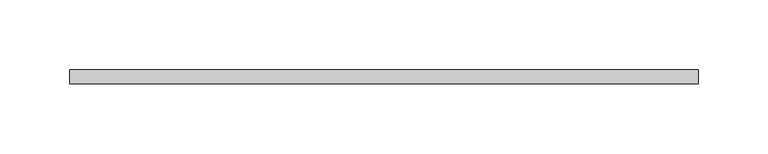
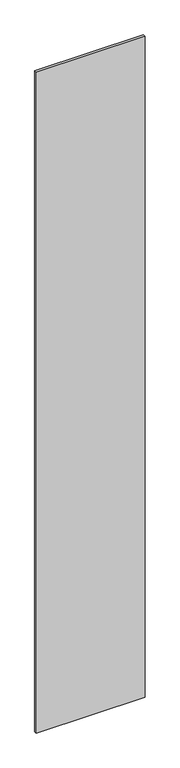
"""IFC4 building model written with IfcOpenShell, lengths in millimetres: plate geometry."""

from ifc_helpers import new_model, si_unit, origin, origin_with_axes, place, context, project, spatial, polyline, outline, extrude, source, transform, mapped, element, save


def plate_de90d239(model_context):
    return source(origin(), model_context, "Body", "SweptSolid", [
        extrude(outline(polyline([(225.5659815, -5.0), (-225.5659815, -5.0), (-225.5659815, 5.0), (225.5659815, 5.0), (225.5659815, -5.0)])), origin_with_axes(), (0.0, 0.0, 1.0), 2895.0),
    ])


if __name__ == "__main__":
    model = new_model("IFC4")
    model_context = context("Model", 3, world=origin())
    ifc_project = project(units=[si_unit("LENGTHUNIT", "METRE", prefix="MILLI")], contexts=[model_context])
    site = spatial("IfcSite", under=ifc_project)
    building = spatial("IfcBuilding", under=site)
    placement = place(None, origin())
    plate_shape = plate_de90d239(model_context)
    element("IfcPlate", 1, at=placement, inside=building, context=model_context, shape_type="MappedRepresentation", body=[
        mapped(plate_shape, transform((0.0, 0.0, 0.0), x_axis=(1.0, 0.0, 0.0), y_axis=(0.0, 1.0, 0.0), z_axis=(0.0, 0.0, 1.0))),
    ])
    save(model, "model.ifc")
